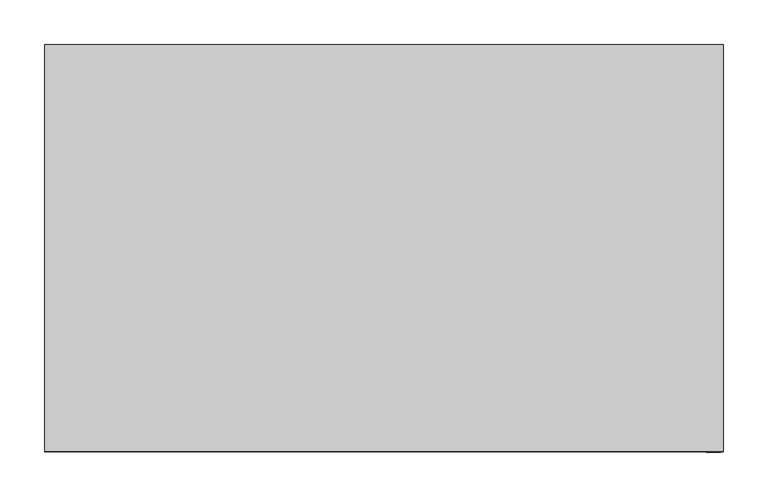
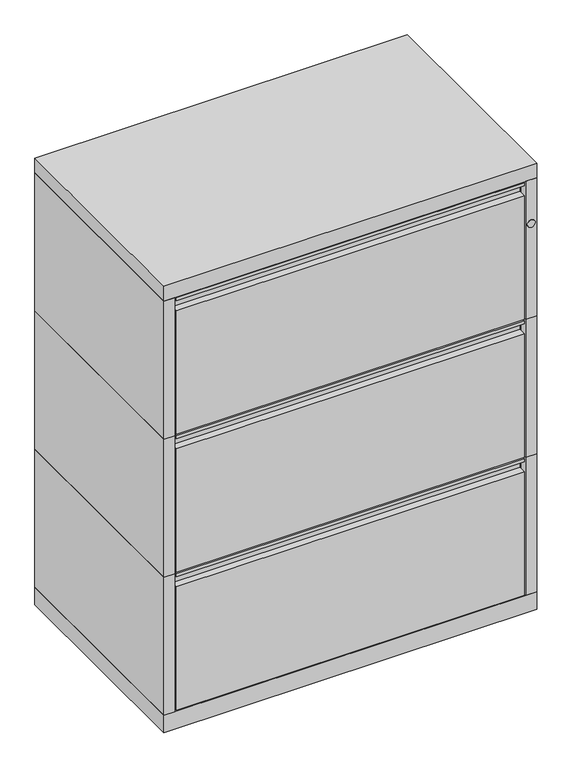
"""IFC4 building model written with IfcOpenShell, lengths in millimetres: furniture geometry."""

from ifc_helpers import new_model, si_unit, point, frame, frame_2d, origin, origin_with_axes, place, context, project, spatial, polyline, circle_curve, trimmed, segment, composite_curve, outline, extrude, source, transform, mapped, element, save


def furniture_8cf69913(model_context):
    return source(origin(), model_context, "Body", "SweptSolid", [
        extrude(outline(polyline([(-228.6, 931.8752), (-211.9376, 931.8752), (-211.9376, 636.5875), (-228.6, 636.5875), (-228.6, 903.6939), (-213.4616, 903.6939), (-213.4616, 930.3385), (-227.076, 930.3385), (-227.076, 925.5125), (-228.6, 925.5125), (-228.6, 931.8752)])), frame((-355.6, 0.0, 0.0), z_axis=(1.0, 0.0, 0.0), x_axis=(0.0, 1.0, 0.0)), (0.0, 0.0, 1.0), 711.2),
        extrude(outline(polyline([(381.0, 228.6), (381.0, -228.6), (358.775, -228.6), (358.775, -211.9376), (-358.775, -211.9376), (-358.775, -228.6), (-381.0, -228.6), (-381.0, 228.6), (381.0, 228.6)])), frame((0.0, 0.0, 635.0), z_axis=(0.0, 0.0, 1.0), x_axis=(1.0, 0.0, 0.0)), (0.0, 0.0, 1.0), 298.45),
        extrude(outline(polyline([(-228.6, 633.4252), (-211.9376, 633.4252), (-211.9376, 338.1375), (-228.6, 338.1375), (-228.6, 605.2439), (-213.4616, 605.2439), (-213.4616, 631.8885), (-227.076, 631.8885), (-227.076, 627.0625), (-228.6, 627.0625), (-228.6, 633.4252)])), frame((-355.6, 0.0, 0.0), z_axis=(1.0, 0.0, 0.0), x_axis=(0.0, 1.0, 0.0)), (0.0, 0.0, 1.0), 711.2),
        extrude(outline(polyline([(381.0, 228.6), (381.0, -228.6), (358.775, -228.6), (358.775, -211.9376), (-358.775, -211.9376), (-358.775, -228.6), (-381.0, -228.6), (-381.0, 228.6), (381.0, 228.6)])), frame((0.0, 0.0, 336.55), z_axis=(0.0, 0.0, 1.0), x_axis=(1.0, 0.0, 0.0)), (0.0, 0.0, 1.0), 298.45),
        extrude(outline(polyline([(-228.6, 334.9752), (-211.9376, 334.9752), (-211.9376, 39.6875), (-228.6, 39.6875), (-228.6, 306.7939), (-213.4616, 306.7939), (-213.4616, 333.4385), (-227.076, 333.4385), (-227.076, 328.6125), (-228.6, 328.6125), (-228.6, 334.9752)])), frame((-355.6, 0.0, 0.0), z_axis=(1.0, 0.0, 0.0), x_axis=(0.0, 1.0, 0.0)), (0.0, 0.0, 1.0), 711.2),
        extrude(outline(polyline([(381.0, 228.6), (381.0, -228.6), (358.775, -228.6), (358.775, -211.9376), (-358.775, -211.9376), (-358.775, -228.6), (-381.0, -228.6), (-381.0, 228.6), (381.0, 228.6)])), frame((0.0, 0.0, 38.1), z_axis=(0.0, 0.0, 1.0), x_axis=(1.0, 0.0, 0.0)), (0.0, 0.0, 1.0), 298.45),
        extrude(outline(polyline([(381.0, 228.6), (381.0, -228.6), (-381.0, -228.6), (-381.0, 228.6), (381.0, 228.6)])), frame((0.0, 0.0, 933.45), z_axis=(0.0, 0.0, 1.0), x_axis=(1.0, 0.0, 0.0)), (0.0, 0.0, 1.0), 31.75),
        extrude(outline(polyline([(381.0, 228.6), (381.0, -228.6), (-381.0, -228.6), (-381.0, 228.6), (381.0, 228.6)])), origin_with_axes(), (0.0, 0.0, 1.0), 38.1),
        extrude(outline(composite_curve([segment(trimmed(circle_curve(frame_2d((839.089, 369.8748)), 8.001), [point((839.089, 377.8758))], [point((839.089, 361.8738))], False, "CARTESIAN"), True, "CONTINUOUS"), segment(trimmed(circle_curve(frame_2d((839.089, 369.8748)), 8.001), [point((839.089, 361.8738))], [point((839.089, 377.8758))], False, "CARTESIAN"), True, "CONTINUOUS")], self_intersect=False)), frame((0.0, -229.39502, 0.0), z_axis=(0.0, 1.0, 0.0), x_axis=(0.0, 0.0, 1.0)), (0.0, 0.0, 1.0), 0.79502),
    ])


if __name__ == "__main__":
    model = new_model("IFC4")
    model_context = context("Model", 3, world=origin())
    ifc_project = project(units=[si_unit("LENGTHUNIT", "METRE", prefix="MILLI")], contexts=[model_context])
    site = spatial("IfcSite", under=ifc_project)
    building = spatial("IfcBuilding", under=site)
    placement = place(None, origin())
    furniture_shape = furniture_8cf69913(model_context)
    element("IfcFurniture", 1, at=placement, inside=building, context=model_context, shape_type="MappedRepresentation", body=[
        mapped(furniture_shape, transform((0.0, 0.0, 0.0), x_axis=(1.0, 0.0, 0.0), y_axis=(0.0, 1.0, 0.0), z_axis=(0.0, 0.0, 1.0))),
    ])
    save(model, "model.ifc")
